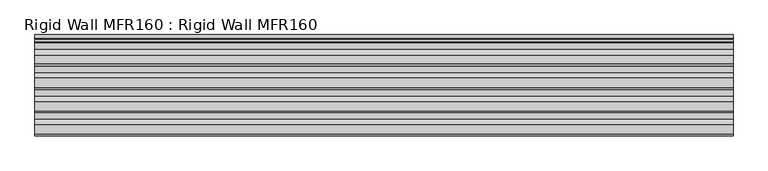
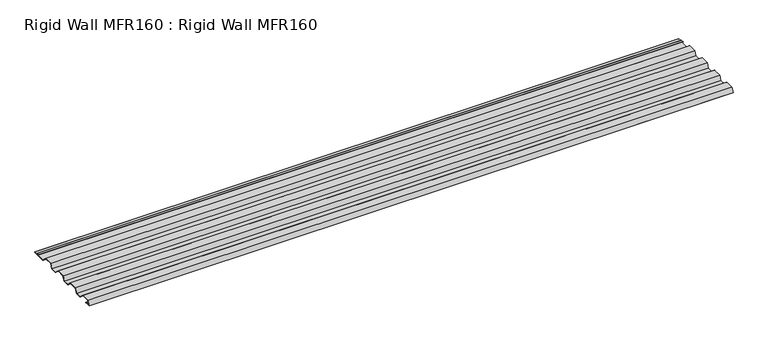
"""IFC4 building model written with IfcOpenShell, lengths in millimetres: proxy geometry, Rigid Wall MFR160 : Rigid Wall MFR160."""

import ifcopenshell
import ifcopenshell.guid

model = None  # the IFC model being written
_history = None  # IfcOwnerHistory: only IFC2X3 demands one
_inside = {}  # id of a spatial element -> (the spatial element, [elements in it])
_under = {}  # id of a project, library or spatial element -> (it, [spatial elements below it])
_declared = {}  # id of a project -> (the project, [libraries it declares])
_typed = {}  # id of a type object -> (the type object, [elements of that type])
_made_of = {}  # id of a material, layer set ... -> (it, [elements and type objects made of it])


def new_model(schema):
    """Start an empty IFC model of exactly this schema.

    Asked for "IFC4X3", IfcOpenShell would pick the latest addendum, in which some entities
    have other attributes; the version numbers below select the first issue.
    IFC2X3 requires an IfcOwnerHistory on every rooted entity: one is made here for all.
    """
    global model, _history
    if schema == "IFC4X3":
        model = ifcopenshell.file(schema_version=(4, 3, 0, 0))
    else:
        model = ifcopenshell.file(schema=schema)
    _inside.clear()
    _under.clear()
    _declared.clear()
    _typed.clear()
    _made_of.clear()
    _history = None
    if model.schema == "IFC2X3":
        org = make("IfcOrganization", Name="unknown")
        user = make(
            "IfcPersonAndOrganization",
            ThePerson=make("IfcPerson", FamilyName="unknown"),
            TheOrganization=org,
        )
        app = make(
            "IfcApplication",
            ApplicationDeveloper=org,
            Version="unknown",
            ApplicationFullName="unknown",
            ApplicationIdentifier="unknown",
        )
        _history = make(
            "IfcOwnerHistory",
            OwningUser=user,
            OwningApplication=app,
            ChangeAction="ADDED",
            CreationDate=0,
        )
    return model


def make(cls, **values):
    """One entity of the class cls with the attributes given. An attribute that is None is left unset."""
    return model.create_entity(
        cls, **{name: value for name, value in values.items() if value is not None}
    )


def rooted(cls, **values):
    """An entity with a GlobalId (a new one), such as an element, a storey or a relation."""
    return make(cls, GlobalId=ifcopenshell.guid.new(), OwnerHistory=_history, **values)


def si_unit(unit_type, name, prefix=None):
    """IfcSIUnit, for example si_unit("LENGTHUNIT", "METRE", prefix="MILLI")."""
    return make("IfcSIUnit", UnitType=unit_type, Prefix=prefix, Name=name)


def assignment(units):
    """IfcUnitAssignment: the units of a project."""
    return None if units is None else make("IfcUnitAssignment", Units=units)


def point(xyz):
    """IfcCartesianPoint."""
    return None if xyz is None else make("IfcCartesianPoint", Coordinates=xyz)


def direction(xyz):
    """IfcDirection."""
    return None if xyz is None else make("IfcDirection", DirectionRatios=xyz)


def frame(location, z_axis=None, x_axis=None):
    """IfcAxis2Placement3D, a coordinate frame: its origin and axes. An axis left out is left unset."""
    return make(
        "IfcAxis2Placement3D",
        Location=point(location),
        Axis=direction(z_axis),
        RefDirection=direction(x_axis),
    )


def frame_2d(location, x_axis=None):
    """IfcAxis2Placement2D, a coordinate frame in the plane: its origin and x axis."""
    return make(
        "IfcAxis2Placement2D", Location=point(location), RefDirection=direction(x_axis)
    )


def origin():
    """The frame at (0, 0, 0) with its axes left unset."""
    return frame((0.0, 0.0, 0.0))


def place(relative_to, where):
    """IfcLocalPlacement: puts the frame where relative to a parent placement (None: the world)."""
    return make(
        "IfcLocalPlacement", PlacementRelTo=relative_to, RelativePlacement=where
    )


def context(
    kind, dimensions, precision=None, world=None, true_north=None, identifier=None
):
    """IfcGeometricRepresentationContext, for example the 3D "Model" context."""
    return make(
        "IfcGeometricRepresentationContext",
        ContextIdentifier=identifier,
        ContextType=kind,
        CoordinateSpaceDimension=dimensions,
        Precision=precision,
        WorldCoordinateSystem=world,
        TrueNorth=true_north,
    )


def project(units=None, contexts=None):
    """IfcProject with its units and contexts."""
    return rooted(
        "IfcProject",
        Name="project",
        RepresentationContexts=contexts,
        UnitsInContext=assignment(units),
    )


def spatial(cls, under=None, at=None, **own):
    """A site, building, storey or space (cls), placed at a placement, below another one or the project."""
    s = rooted(cls, ObjectPlacement=at, **own)
    if under is not None:
        _under.setdefault(under.id(), (under, []))[1].append(s)
    return s


def polyline(points):
    """IfcPolyline through the points."""
    return make("IfcPolyline", Points=[point(p) for p in points])


def circle_curve(where, radius):
    """IfcCircle in the frame where."""
    return make("IfcCircle", Position=where, Radius=radius)


def trimmed(basis, trim1, trim2, sense, master):
    """IfcTrimmedCurve: the piece of a basis curve between two trims."""
    return make(
        "IfcTrimmedCurve",
        BasisCurve=basis,
        Trim1=trim1,
        Trim2=trim2,
        SenseAgreement=sense,
        MasterRepresentation=master,
    )


def segment(curve, same_sense, transition):
    """IfcCompositeCurveSegment."""
    return make(
        "IfcCompositeCurveSegment",
        Transition=transition,
        SameSense=same_sense,
        ParentCurve=curve,
    )


def composite_curve(segments, self_intersect=None):
    """IfcCompositeCurve: segments joined end to end."""
    return make("IfcCompositeCurve", Segments=segments, SelfIntersect=self_intersect)


def outline(outer, holes=None, kind="AREA"):
    """IfcArbitraryClosedProfileDef: a profile drawn as a closed curve; with holes, ...WithVoids."""
    if holes is None:
        return make("IfcArbitraryClosedProfileDef", ProfileType=kind, OuterCurve=outer)
    return make(
        "IfcArbitraryProfileDefWithVoids",
        ProfileType=kind,
        OuterCurve=outer,
        InnerCurves=holes,
    )


def extrude(swept, where, along, depth):
    """IfcExtrudedAreaSolid: the profile swept, set in the frame where, extruded along a direction by depth."""
    return make(
        "IfcExtrudedAreaSolid",
        SweptArea=swept,
        Position=where,
        ExtrudedDirection=direction(along),
        Depth=depth,
    )


def shape(context_of_items, identifier, shape_type, items):
    """IfcShapeRepresentation: the items that make up one representation, for example the "Body"."""
    return make(
        "IfcShapeRepresentation",
        ContextOfItems=context_of_items,
        RepresentationIdentifier=identifier,
        RepresentationType=shape_type,
        Items=items,
    )


def source(mapping_origin, context_of_items, identifier, shape_type, items):
    """IfcRepresentationMap: a shape defined once, which mapped items show again and again."""
    return make(
        "IfcRepresentationMap",
        MappingOrigin=mapping_origin,
        MappedRepresentation=shape(context_of_items, identifier, shape_type, items),
    )


def transform(
    local_origin,
    x_axis=None,
    y_axis=None,
    z_axis=None,
    scale=None,
    scale2=None,
    scale3=None,
    uniform=True,
):
    """IfcCartesianTransformationOperator3D, or its non-uniform kind. x_axis, y_axis, z_axis: its Axis1, 2, 3."""
    if uniform:
        return make(
            "IfcCartesianTransformationOperator3D",
            Axis1=direction(x_axis),
            Axis2=direction(y_axis),
            LocalOrigin=point(local_origin),
            Scale=scale,
            Axis3=direction(z_axis),
        )
    return make(
        "IfcCartesianTransformationOperator3DnonUniform",
        Axis1=direction(x_axis),
        Axis2=direction(y_axis),
        LocalOrigin=point(local_origin),
        Scale=scale,
        Axis3=direction(z_axis),
        Scale2=scale2,
        Scale3=scale3,
    )


def mapped(mapping_source, mapping_target):
    """IfcMappedItem: shows the shape of a source again, moved by a transform."""
    return make(
        "IfcMappedItem", MappingSource=mapping_source, MappingTarget=mapping_target
    )


def made_of(thing, what):
    """Note that an element or type object is made of a material, layer set ...; save() writes the relation."""
    if what is not None:
        _made_of.setdefault(what.id(), (what, []))[1].append(thing)
    return thing


def element(
    cls,
    number,
    at=None,
    inside=None,
    cuts=None,
    type_object=None,
    material=None,
    context=None,
    identifier="Body",
    shape_type=None,
    held_by="IfcProductDefinitionShape",
    body=None,
    shapes=None,
    **own,
):
    """One element of the class cls, such as IfcWall. Its Tag is "e" and its number.

    at: its placement. inside: the storey or other place that contains it. cuts: it is an
    opening in that element (IfcRelVoidsElement). A single representation is given by context,
    identifier, shape_type and body (its items); several are given by shapes. held_by: the class
    of the entity that holds the representations. save() writes the other relations.
    """
    e = rooted(cls, Tag="e%d" % number, ObjectPlacement=at, **own)
    if body is not None:
        shapes = [shape(context, identifier, shape_type, body)]
    if shapes is not None:
        e.Representation = make(held_by, Representations=shapes)
    if inside is not None:
        _inside.setdefault(inside.id(), (inside, []))[1].append(e)
    if cuts is not None:
        rooted(
            "IfcRelVoidsElement", RelatingBuildingElement=cuts, RelatedOpeningElement=e
        )
    if type_object is not None:
        _typed.setdefault(type_object.id(), (type_object, []))[1].append(e)
    return made_of(e, material)


def aggregate(whole, parts):
    """IfcRelAggregates: a whole, such as a stair, and the parts it consists of."""
    return rooted("IfcRelAggregates", RelatingObject=whole, RelatedObjects=parts)


def save(model, path):
    """Write the relations noted so far, then the file.

    IfcRelAggregates (storeys below a building ...), IfcRelContainedInSpatialStructure (elements
    in a storey), IfcRelDefinesByType, IfcRelAssociatesMaterial and IfcRelDeclares: one each for
    every whole, place, type object, material and project.
    """
    for whole, parts in _under.values():
        aggregate(whole, parts)
    for where, things in _inside.values():
        rooted(
            "IfcRelContainedInSpatialStructure",
            RelatedElements=things,
            RelatingStructure=where,
        )
    for kind, things in _typed.values():
        rooted("IfcRelDefinesByType", RelatedObjects=things, RelatingType=kind)
    for what, things in _made_of.values():
        rooted("IfcRelAssociatesMaterial", RelatedObjects=things, RelatingMaterial=what)
    for by, libraries in _declared.values():
        rooted("IfcRelDeclares", RelatingContext=by, RelatedDefinitions=libraries)
    model.write(path)


def rigid_wall_mfr160_rigid_wall_mfr160_269e5962(model_context):
    return source(origin(), model_context, "Body", "SweptSolid", [
        extrude(outline(composite_curve([segment(polyline([(9.5559433, 22.225), (50.8309433, 22.225), (73.8471929, 0.762), (101.6, 0.762), (111.1559433, 22.225), (152.4309433, 22.225), (175.4471929, 0.762), (203.2, 0.762), (212.7559433, 22.225), (254.0309433, 22.225), (277.0471929, 0.762), (304.8, 0.762), (314.3559433, 22.225), (355.6309433, 22.225), (378.6471929, 0.762), (442.642505, 0.762), (442.642505, 1.5748), (426.5244469, 1.5748), (423.9287955, 6.0706), (412.822905, 6.0706), (409.216105, 9.6774), (413.1385358, 6.8326), (424.3687364, 6.8326), (426.9643878, 2.3368), (443.404505, 2.3368), (443.404505, 0.0), (378.3470331, 0.0), (355.3307835, 21.463), (314.8507919, 21.463), (305.2948486, 0.0), (276.7470331, 0.0), (253.7307835, 21.463), (213.2507919, 21.463), (203.6948486, 0.0), (175.1470331, 0.0), (152.1307835, 21.463), (111.6507919, 21.463), (102.0948486, 0.0), (73.5470331, 0.0), (50.5307835, 21.463), (10.0507919, 21.463), (1.1733771, 1.524), (23.136105, 1.524)]), True, "CONTINUOUS"), segment(trimmed(circle_curve(frame_2d((23.136105, 2.5908)), 1.0668), [point((23.136105, 1.524))], [point((23.8904466, 3.3451415))], True, "CARTESIAN"), True, "CONTINUOUS"), segment(polyline([(23.8904466, 3.3451415), (21.9324034, 5.3031846), (24.4292619, 3.8839569)]), True, "CONTINUOUS"), segment(trimmed(circle_curve(frame_2d((23.136105, 2.5908)), 1.8288), [point((24.4292619, 3.8839569))], [point((23.136105, 0.762))], False, "CARTESIAN"), True, "CONTINUOUS"), segment(polyline([(23.136105, 0.762), (0.0, 0.762), (9.5559433, 22.225)]), True, "CONTINUOUS")], self_intersect=False)), frame((-1270.0, 0.0, 0.0), z_axis=(1.0, 0.0, 0.0), x_axis=(0.0, 1.0, 0.0)), (0.0, 0.0, 1.0), 3048.0),
    ])


if __name__ == "__main__":
    model = new_model("IFC4")
    model_context = context("Model", 3, world=origin())
    ifc_project = project(units=[si_unit("LENGTHUNIT", "METRE", prefix="MILLI")], contexts=[model_context])
    site = spatial("IfcSite", under=ifc_project)
    building = spatial("IfcBuilding", under=site)
    placement = place(None, origin())
    rigid_wall_mfr160_rigid_wall_mfr160_shape = rigid_wall_mfr160_rigid_wall_mfr160_269e5962(model_context)
    element("IfcBuildingElementProxy", 1, Name="Rigid Wall MFR160 : Rigid Wall MFR160", ObjectType="Rigid Wall MFR160 : Rigid Wall MFR160", at=placement, inside=building, context=model_context, shape_type="MappedRepresentation", body=[
        mapped(rigid_wall_mfr160_rigid_wall_mfr160_shape, transform((0.0, 0.0, 0.0), x_axis=(1.0, 0.0, 0.0), y_axis=(0.0, 1.0, 0.0), z_axis=(0.0, 0.0, 1.0))),
    ])
    save(model, "model.ifc")
